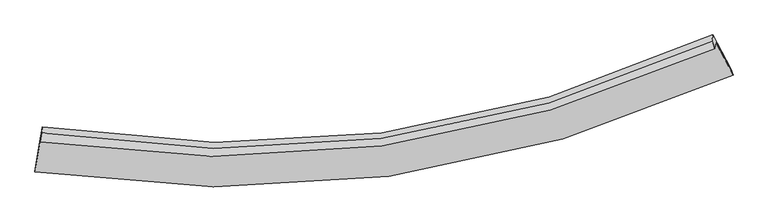
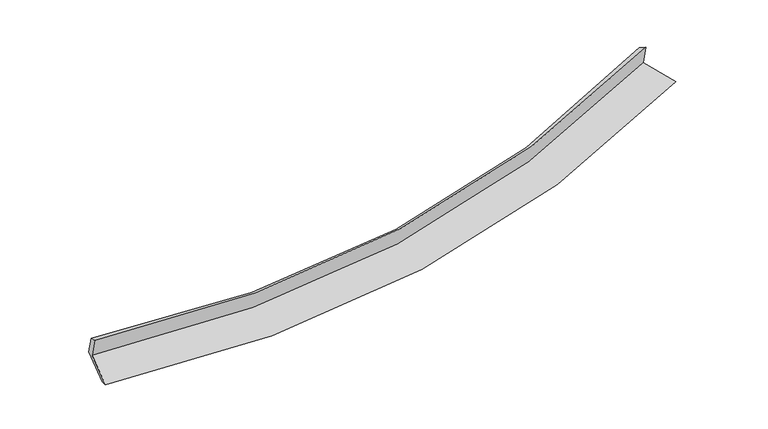
"""IFC4 building model written with IfcOpenShell, lengths in millimetres: proxy geometry."""

from ifc_helpers import new_model, si_unit, frame, origin, place, context, project, spatial, source, transform, mapped, element, save
from ifc_brep_helpers import plane_surface, spline_curve, spline_surface, advanced_brep


def generic_models_cf864a6b(model_context):
    return source(origin(), model_context, "Body", "AdvancedBrep", [
        advanced_brep(
        [(-5923.9803821, -1996.1657304, 1512.7507161), (-6028.5742177, -2629.8288432, 1323.2134235), (6115.2342859, -938.7078539, 2327.9568662), (5814.2617009, -366.6700391, 2482.9110724), (-5939.5823723, -2107.8443428, 1894.7256206), (5798.3783837, -480.3623823, 2871.7735498), (-5913.8478115, -1947.3169715, 1830.908607), (5748.4562285, -346.9533635, 2795.54366), (-5899.5316996, -1844.8426402, 1480.4151507), (5763.645193, -238.2311774, 2423.6806352), (-6005.4927749, -2486.788931, 1288.4002465), (6074.6501975, -829.3369194, 2263.5612887)],
        [
            (0, 1),
            (1, 2, spline_curve(3, [(-6028.5742177, -2629.8288432, 1323.2134235), (-3930.64628461, -2951.298421592, 1342.447121333), (-1879.961058697, -2975.801170886, 1434.122106622), (2170.029921453, -2425.010690759, 1765.885767387), (4167.280864386, -1836.80094502, 2009.125263363), (6115.2342859, -938.7078539, 2327.9568662)], [4, 2, 4], [0.0, 19.860802677130565, 40.14892916091989])),
            (2, 3),
            (3, 0, spline_curve(3, [(5814.2617009, -366.6700391, 2482.9110724), (3929.854001879, -1228.484966892, 2177.281736588), (1998.55821602, -1793.503352409, 1943.516713062), (-1916.1435278, -2324.297548627, 1623.125366297), (-3897.59510325, -2302.444393861, 1533.503604465), (-5923.9803821, -1996.1657304, 1512.7507161)], [4, 2, 4], [0.0, 20.288126483789327, 40.14892916091989])),
            (4, 0),
            (3, 5),
            (5, 4, spline_curve(3, [(5798.3783837, -480.3623823, 2871.7735498), (3914.17657605, -1340.703540764, 2561.103474205), (1983.006587014, -1904.821483133, 2324.258659128), (-1931.604720351, -2434.968332517, 2001.653190366), (-3913.088315573, -2413.34437781, 1912.815362832), (-5939.5823723, -2107.8443428, 1894.7256206)], [4, 2, 4], [0.0, 19.940622245122057, 39.461240079696964])),
            (6, 4),
            (5, 7),
            (7, 6, spline_curve(3, [(5748.4562285, -346.9533635, 2795.54366), (3877.948327306, -1216.80459973, 2475.258896789), (1959.992063999, -1783.318745869, 2234.714447334), (-1929.420352107, -2304.129625271, 1916.49315512), (-3898.898769049, -2271.070015215, 1835.492586447), (-5913.8478115, -1947.3169715, 1830.908607)], [4, 2, 4], [0.0, 19.881659898453414, 39.344557295732045])),
            (8, 6),
            (7, 9),
            (9, 8, spline_curve(3, [(5763.645193, -238.2311774, 2423.6806352), (3892.39475073, -1113.397499755, 2121.575088186), (1973.996874422, -1683.072700482, 1891.842408477), (-1915.693948911, -2205.876414389, 1580.437217231), (-3885.021703928, -2171.738367884, 1495.748068038), (-5899.5316996, -1844.8426402, 1480.4151507)], [4, 2, 4], [0.0, 19.823033994686977, 39.22854031115763])),
            (10, 8),
            (9, 11),
            (11, 10, spline_curve(3, [(6074.6501975, -829.3369194, 2263.5612887), (4135.614705359, -1722.578298872, 1932.136072268), (2148.194267262, -2305.522216534, 1685.184745744), (-1880.536831553, -2845.072442388, 1363.65209465), (-3919.830718049, -2814.612528779, 1285.549740355), (-6005.4927749, -2486.788931, 1288.4002465)], [4, 2, 4], [0.0, 20.173960187976295, 39.923001225838036])),
            (1, 10),
            (11, 2),
        ],
        [
            spline_surface(3, 3, [[(-5923.9803821, -1996.1657304, 1512.7507161), (-3897.595103451, -2302.444393546, 1533.503604235), (-1916.143527875, -2324.297548671, 1623.125366339), (1998.558216097, -1793.503352363, 1943.516713018), (3929.854001551, -1228.484966765, 2177.281736358), (5814.2617009, -366.6700391, 2482.9110724)], [(-5958.844993984, -2207.386768001, 1449.571618564), (-3908.612163747, -2518.72906955, 1469.818109963), (-1904.08270487, -2541.465422725, 1560.124279795), (2055.715451309, -2004.00579855, 1884.306397805), (4008.996289092, -1431.256959567, 2121.229578566), (5914.585895905, -557.349310695, 2431.259670309)], [(-5993.709605816, -2418.607805599, 1386.392521036), (-3919.629223992, -2735.013745551, 1406.132615698), (-1892.021881921, -2758.633296724, 1497.123193212), (2112.872686465, -2214.508244682, 1825.096082554), (4088.138576618, -1634.028952383, 2065.177420846), (6014.910090895, -748.028582305, 2379.608268291)], [(-6028.5742177, -2629.8288432, 1323.2134235), (-3930.646284288, -2951.298421554, 1342.447121426), (-1879.961058916, -2975.801170778, 1434.122106667), (2170.029921677, -2425.01069087, 1765.885767341), (4167.280864159, -1836.800945185, 2009.125263054), (6115.2342859, -938.7078539, 2327.9568662)]], [4, 4], [4, 2, 4], [0.0, 2.215215713971221], [0.0, 19.860802677130565, 40.14892916091989]),
            spline_surface(3, 3, [[(-5939.5823723, -2107.8443428, 1894.7256206), (-3913.08831588, -2413.344377679, 1912.815362664), (-1931.604720104, -2434.968332829, 2001.653190559), (1983.006586761, -1904.821482814, 2324.25865893), (3914.176576337, -1340.703540851, 2561.10347405), (5798.3783837, -480.3623823, 2871.7735498)], [(-5934.381708901, -2070.618138635, 1767.400652465), (-3907.923911738, -2376.37771627, 1786.378109886), (-1926.450989379, -2398.078071441, 1875.477249145), (1988.190463189, -1867.715439328, 2197.344676953), (3919.402384734, -1303.297349487, 2433.162894819), (5803.672822759, -442.464934565, 2742.152724)], [(-5929.181045499, -2033.391934565, 1640.075684235), (-3902.759507593, -2339.411054955, 1659.940857013), (-1921.2972586, -2361.187810059, 1749.301307753), (1993.374339669, -1830.609395849, 2070.430694996), (3924.628193154, -1265.891158128, 2305.222315589), (5808.967261841, -404.567486835, 2612.5318982)], [(-5923.9803821, -1996.1657304, 1512.7507161), (-3897.595103451, -2302.444393546, 1533.503604235), (-1916.143527875, -2324.297548671, 1623.125366339), (1998.558216097, -1793.503352363, 1943.516713018), (3929.854001551, -1228.484966765, 2177.281736358), (5814.2617009, -366.6700391, 2482.9110724)]], [4, 4], [4, 2, 4], [0.0, 1.2987438167421295], [0.0, 19.520617834574907, 39.461240079696964]),
            spline_surface(3, 3, [[(-5913.8478115, -1947.3169715, 1830.908607), (-3898.898769192, -2271.070015148, 1835.492586557), (-1929.4203522, -2304.129625384, 1916.493154989), (1959.992064094, -1783.318745753, 2234.714447468), (3877.948327151, -1216.804599464, 2475.258896688), (5748.4562285, -346.9533635, 2795.54366)], [(-5922.425998436, -2000.826095295, 1852.180944856), (-3903.628618091, -2318.494802686, 1861.266845249), (-1930.148474829, -2347.742527854, 1944.87983352), (1967.663571655, -1823.819658094, 2264.562517963), (3890.024410226, -1258.104246585, 2503.873755817), (5765.096946913, -391.423036425, 2820.953623275)], [(-5931.004185364, -2054.335219005, 1873.453282744), (-3908.358466981, -2365.919590141, 1887.041103973), (-1930.876597474, -2391.35543036, 1973.266512028), (1975.335079201, -1864.320570472, 2294.410588435), (3902.100493262, -1299.40389373, 2532.488614921), (5781.737665287, -435.892709375, 2846.363586525)], [(-5939.5823723, -2107.8443428, 1894.7256206), (-3913.08831588, -2413.344377679, 1912.815362664), (-1931.604720104, -2434.968332829, 2001.653190559), (1983.006586761, -1904.821482814, 2324.25865893), (3914.176576337, -1340.703540851, 2561.10347405), (5798.3783837, -480.3623823, 2871.7735498)]], [4, 4], [4, 2, 4], [0.0, 0.5045129953604859], [0.0, 19.46289739727863, 39.344557295732045]),
            spline_surface(3, 3, [[(-5899.5316996, -1844.8426402, 1480.4151507), (-3885.021703993, -2171.738367941, 1495.748068029), (-1915.693949213, -2205.87641436, 1580.437216926), (1973.99687473, -1683.072700511, 1891.842408789), (3892.394750846, -1113.397499828, 2121.575088108), (5763.645193, -238.2311774, 2423.6806352)], [(-5904.303736895, -1879.000750615, 1597.24630278), (-3889.647392387, -2204.848916992, 1608.996240852), (-1920.269416859, -2238.627484691, 1692.455862926), (1969.328604534, -1716.488048914, 2006.133088328), (3887.579276276, -1147.866533048, 2239.469690981), (5758.582204829, -274.471906108, 2547.634976812)], [(-5909.075774205, -1913.158861085, 1714.07745492), (-3894.273080797, -2237.959466098, 1722.244413735), (-1924.844884553, -2271.378555054, 1804.474508989), (1964.66033429, -1749.90339735, 2120.423767929), (3882.763801721, -1182.335566244, 2357.364293816), (5753.519216671, -310.712634792, 2671.589318388)], [(-5913.8478115, -1947.3169715, 1830.908607), (-3898.898769192, -2271.070015148, 1835.492586557), (-1929.4203522, -2304.129625384, 1916.493154989), (1959.992064094, -1783.318745753, 2234.714447468), (3877.948327151, -1216.804599464, 2475.258896688), (5748.4562285, -346.9533635, 2795.54366)]], [4, 4], [4, 2, 4], [0.0, 1.1615002916271073], [0.0, 19.405506316470653, 39.22854031115763]),
            spline_surface(3, 3, [[(-6005.4927749, -2486.788931, 1288.4002465), (-3919.830718087, -2814.612528912, 1285.549740379), (-1880.536831647, -2845.072442567, 1363.652094564), (2148.194267358, -2305.522216351, 1685.184745832), (4135.61470505, -1722.578298833, 1932.136072368), (6074.6501975, -829.3369194, 2263.5612887)], [(-5970.172416456, -2272.806834084, 1352.405214592), (-3908.227713378, -2600.321141939, 1355.615849621), (-1892.255870845, -2632.00709985, 1435.913802037), (2090.128469805, -2098.039044423, 1754.070633503), (4054.541386977, -1519.518032516, 1995.282410942), (5970.981862662, -632.301672085, 2316.934404194)], [(-5934.852058044, -2058.824737116, 1416.410182608), (-3896.624708702, -2386.029754914, 1425.681958787), (-1903.974910014, -2418.941757077, 1508.175509453), (2032.062672282, -1890.555872439, 1822.956521118), (3973.468068919, -1316.457766144, 2058.428749535), (5867.313527838, -435.266424715, 2370.307519706)], [(-5899.5316996, -1844.8426402, 1480.4151507), (-3885.021703993, -2171.738367941, 1495.748068029), (-1915.693949213, -2205.87641436, 1580.437216926), (1973.99687473, -1683.072700511, 1891.842408789), (3892.394750846, -1113.397499828, 2121.575088108), (5763.645193, -238.2311774, 2423.6806352)]], [4, 4], [4, 2, 4], [0.0, 2.2100258866781703], [0.0, 19.74904103786174, 39.923001225838036]),
            spline_surface(3, 3, [[(-6028.5742177, -2629.8288432, 1323.2134235), (-3930.646284288, -2951.298421554, 1342.447121426), (-1879.961058916, -2975.801170778, 1434.122106667), (2170.029921677, -2425.01069087, 1765.885767341), (4167.280864159, -1836.800945185, 2009.125263054), (6115.2342859, -938.7078539, 2327.9568662)], [(-6020.880403428, -2582.14887247, 1311.609031143), (-3927.04109555, -2905.736457344, 1323.48132772), (-1880.152983172, -2932.224928029, 1410.63210262), (2162.751370225, -2385.181199351, 1738.985426826), (4156.725477789, -1798.726729722, 1983.462199502), (6101.706256433, -902.250875721, 2306.49167371)], [(-6013.186589172, -2534.46890173, 1300.004638857), (-3923.435906825, -2860.174493123, 1304.515534085), (-1880.344907391, -2888.648685316, 1387.14209861), (2155.47281881, -2345.351707869, 1712.085086347), (4146.17009142, -1760.652514296, 1957.799135921), (6088.178226967, -865.793897579, 2285.02648119)], [(-6005.4927749, -2486.788931, 1288.4002465), (-3919.830718087, -2814.612528912, 1285.549740379), (-1880.536831647, -2845.072442567, 1363.652094564), (2148.194267358, -2305.522216351, 1685.184745832), (4135.61470505, -1722.578298833, 1932.136072368), (6074.6501975, -829.3369194, 2263.5612887)]], [4, 4], [4, 2, 4], [0.0, 0.48086588818375114], [0.0, 20.14665392170086, 40.72678200782566]),
            plane_surface(frame((5885.7709982, -533.3769559, 2527.5711787), z_axis=(0.8907529252796188, 0.42513623048121135, 0.1606810867464754), x_axis=(-0.0391742357089463, -0.28040809115134857, 0.9590811653209946))),
            plane_surface(frame((-5951.8348763, -2168.7979098, 1555.0689607), z_axis=(-0.9869485492700729, 0.16089526271572047, 0.006728709336703623), x_axis=(0.15619840060103674, 0.9463001727002238, 0.2830513077115255))),
        ],
        [
            (0, [[1, 2, 3, 4]]),
            (1, [[5, -4, 6, 7]]),
            (2, [[8, -7, 9, 10]]),
            (3, [[11, -10, 12, 13]]),
            (4, [[14, -13, 15, 16]]),
            (5, [[17, -16, 18, -2]]),
            (6, [[-12, -9, -6, -3, -18, -15]]),
            (7, [[-1, -5, -8, -11, -14, -17]]),
        ],
    ),
    ])


if __name__ == "__main__":
    model = new_model("IFC4")
    model_context = context("Model", 3, world=origin())
    ifc_project = project(units=[si_unit("LENGTHUNIT", "METRE", prefix="MILLI")], contexts=[model_context])
    site = spatial("IfcSite", under=ifc_project)
    building = spatial("IfcBuilding", under=site)
    placement = place(None, origin())
    generic_models_shape = generic_models_cf864a6b(model_context)
    element("IfcBuildingElementProxy", 1, Name="Generic Models", at=placement, inside=building, context=model_context, shape_type="MappedRepresentation", body=[
        mapped(generic_models_shape, transform((0.0, 0.0, 0.0), x_axis=(1.0, 0.0, 0.0), y_axis=(0.0, 1.0, 0.0), z_axis=(0.0, 0.0, 1.0))),
    ])
    save(model, "model.ifc")
